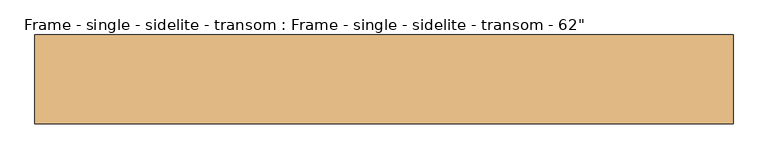
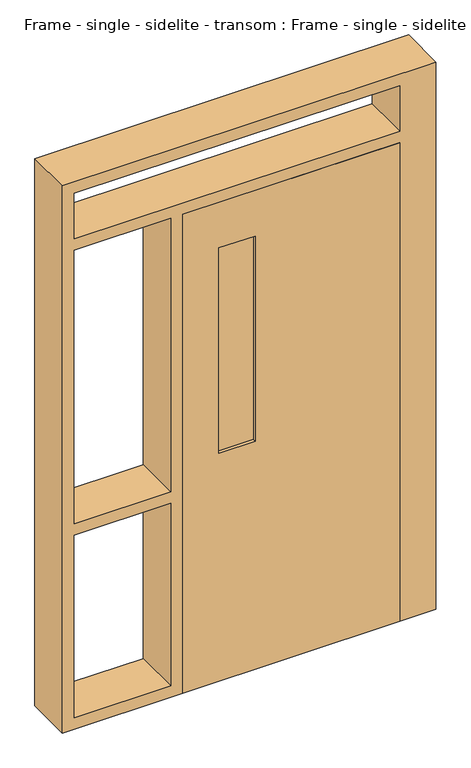
"""IFC4 building model written with IfcOpenShell, lengths in millimetres: door geometry."""

from ifc_helpers import new_model, si_unit, frame, origin, place, context, project, spatial, polyline, outline, extrude, source, transform, mapped, element, save


def door_ae3b54b9(model_context):
    return source(origin(), model_context, "Body", "SweptSolid", [
        extrude(outline(polyline([(-152.4, -73.9678304), (-152.4, -86.9654867), (-304.8, -86.9654867), (-304.8, -73.9678304), (-152.4, -73.9678304)])), frame((0.0, 0.0, 1016.0), z_axis=(0.0, 0.0, 1.0), x_axis=(1.0, 0.0, 0.0)), (0.0, 0.0, 1.0), 914.4),
        extrude(outline(polyline([(2133.6, 457.2), (2133.6, -457.2), (0.0, -457.2), (0.0, 457.2), (2133.6, 457.2)]), holes=[polyline([(1016.0, -152.4), (1016.0, -304.8), (1930.4, -304.8), (1930.4, -152.4), (1016.0, -152.4)])]), frame((0.0, -99.6470109, 0.0), z_axis=(0.0, 1.0, 0.0), x_axis=(0.0, 0.0, 1.0)), (0.0, 0.0, 1.0), 38.3607048),
        extrude(outline(polyline([(0.0, 457.2), (0.0, 609.6), (2438.4, 609.6), (2438.4, -965.2), (0.0, -965.2), (0.0, -457.2), (2133.6, -457.2), (2133.6, 457.2), (0.0, 457.2)]), holes=[polyline([(914.4, -914.4), (2133.6, -914.4), (2133.6, -508.0), (914.4, -508.0), (914.4, -914.4)]), polyline([(50.8, -508.0), (50.8, -914.4), (863.6, -914.4), (863.6, -508.0), (50.8, -508.0)]), polyline([(2184.4, -914.4), (2387.6, -914.4), (2387.6, 457.2), (2184.4, 457.2), (2184.4, -914.4)])]), frame((0.0, -99.6470109, 0.0), z_axis=(0.0, 1.0, 0.0), x_axis=(0.0, 0.0, 1.0)), (0.0, 0.0, 1.0), 200.025),
    ])


if __name__ == "__main__":
    model = new_model("IFC4")
    model_context = context("Model", 3, world=origin())
    ifc_project = project(units=[si_unit("LENGTHUNIT", "METRE", prefix="MILLI")], contexts=[model_context])
    site = spatial("IfcSite", under=ifc_project)
    building = spatial("IfcBuilding", under=site)
    placement = place(None, origin())
    door_shape = door_ae3b54b9(model_context)
    element("IfcDoor", 1, ObjectType="Frame - single - sidelite - transom : Frame - single - sidelite - transom - 62\"", at=placement, inside=building, context=model_context, shape_type="MappedRepresentation", body=[
        mapped(door_shape, transform((0.0, 0.0, 0.0), x_axis=(1.0, 0.0, 0.0), y_axis=(0.0, 1.0, 0.0), z_axis=(0.0, 0.0, 1.0))),
    ])
    save(model, "model.ifc")
